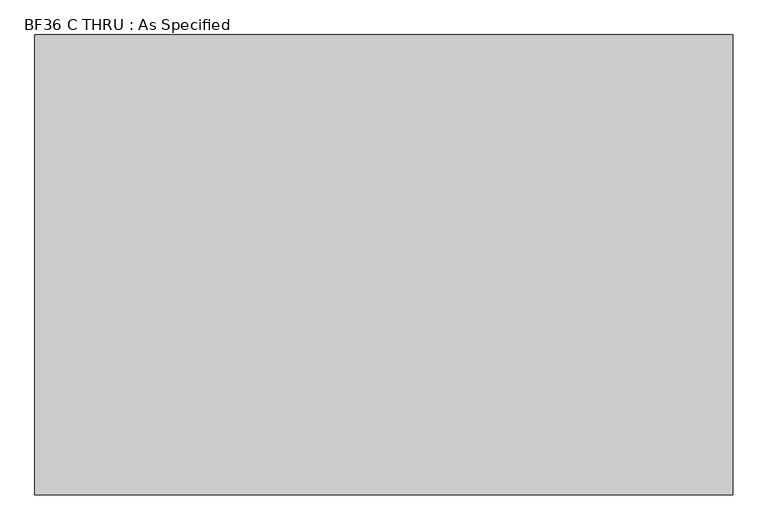
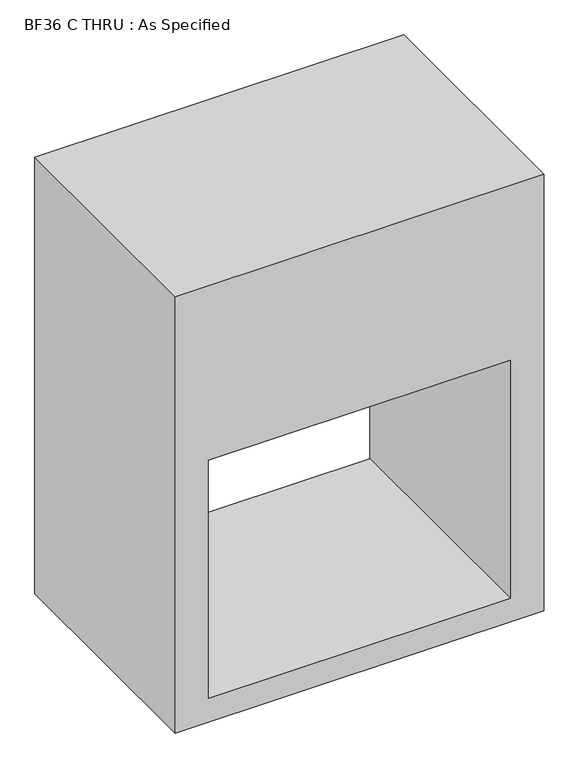
"""IFC4 building model written with IfcOpenShell, lengths in millimetres: proxy geometry, BF36 C THRU : As Specified."""

from ifc_helpers import new_model, si_unit, frame, origin, place, context, project, spatial, polyline, outline, extrude, source, transform, mapped, element, save


def bf36_c_thru_as_specified_8e124f62(model_context):
    return source(origin(), model_context, "Body", "SweptSolid", [
        extrude(outline(polyline([(1397.0, 558.8), (1397.0, -558.8), (0.0, -558.8), (0.0, 558.8), (1397.0, 558.8)]), holes=[polyline([(838.2, -457.2), (838.2, 457.2), (76.2, 457.2), (76.2, -457.2), (838.2, -457.2)])]), frame((0.0, -368.3, 0.0), z_axis=(0.0, 1.0, 0.0), x_axis=(0.0, 0.0, 1.0)), (0.0, 0.0, 1.0), 736.6),
    ])


if __name__ == "__main__":
    model = new_model("IFC4")
    model_context = context("Model", 3, world=origin())
    ifc_project = project(units=[si_unit("LENGTHUNIT", "METRE", prefix="MILLI")], contexts=[model_context])
    site = spatial("IfcSite", under=ifc_project)
    building = spatial("IfcBuilding", under=site)
    placement = place(None, origin())
    bf36_c_thru_as_specified_shape = bf36_c_thru_as_specified_8e124f62(model_context)
    element("IfcBuildingElementProxy", 1, Name="BF36 C THRU : As Specified", ObjectType="BF36 C THRU : As Specified", at=placement, inside=building, context=model_context, shape_type="MappedRepresentation", body=[
        mapped(bf36_c_thru_as_specified_shape, transform((0.0, 0.0, 0.0), x_axis=(1.0, 0.0, 0.0), y_axis=(0.0, 1.0, 0.0), z_axis=(0.0, 0.0, 1.0))),
    ])
    save(model, "model.ifc")
